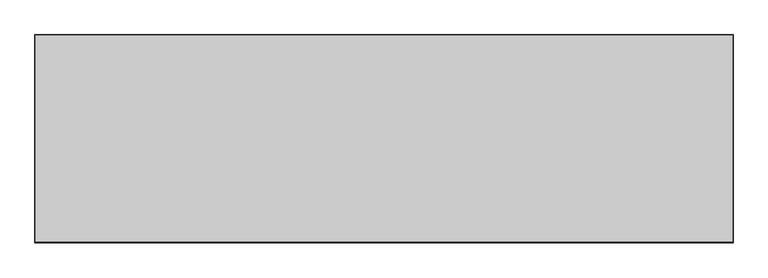
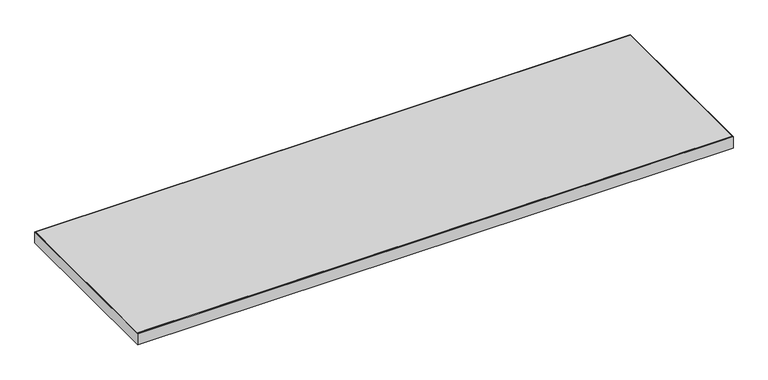
"""IFC4 building model written with IfcOpenShell, lengths in millimetres: furniture geometry."""

from ifc_helpers import new_model, si_unit, frame, origin, place, context, project, spatial, polyline, outline, extrude, source, transform, mapped, element, save


def furniture_65860627(model_context):
    return source(origin(), model_context, "Body", "SweptSolid", [
        extrude(outline(polyline([(754.545554, -12.7000717), (1522.983783, -12.7000717), (1522.983783, -463.8547992), (1.016217, -463.8547992), (1.016217, -12.7000717), (754.545554, -12.7000717)])), frame((0.0, 0.0, 698.5), z_axis=(0.0, 0.0, 1.0), x_axis=(1.0, 0.0, 0.0)), (0.0, 0.0, 1.0), 30.0990349),
        extrude(outline(polyline([(759.1101842, -11.684), (1524.0, -11.684), (1524.0, -466.852), (0.0, -466.852), (0.0, -11.684), (759.1101842, -11.684)]), holes=[polyline([(765.1051689, -12.7000717), (1.016217, -12.7000717), (1.016217, -463.8547992), (1522.983783, -463.8547992), (1522.983783, -12.7000717), (765.1051689, -12.7000717)])]), frame((0.0, 0.0, 698.5), z_axis=(0.0, 0.0, 1.0), x_axis=(1.0, 0.0, 0.0)), (0.0, 0.0, 1.0), 30.0990349),
    ])


if __name__ == "__main__":
    model = new_model("IFC4")
    model_context = context("Model", 3, world=origin())
    ifc_project = project(units=[si_unit("LENGTHUNIT", "METRE", prefix="MILLI")], contexts=[model_context])
    site = spatial("IfcSite", under=ifc_project)
    building = spatial("IfcBuilding", under=site)
    placement = place(None, origin())
    furniture_shape = furniture_65860627(model_context)
    element("IfcFurniture", 1, at=placement, inside=building, context=model_context, shape_type="MappedRepresentation", body=[
        mapped(furniture_shape, transform((0.0, 0.0, 0.0), x_axis=(1.0, 0.0, 0.0), y_axis=(0.0, 1.0, 0.0), z_axis=(0.0, 0.0, 1.0))),
    ])
    save(model, "model.ifc")
